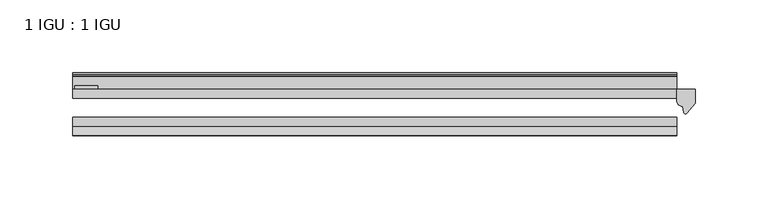
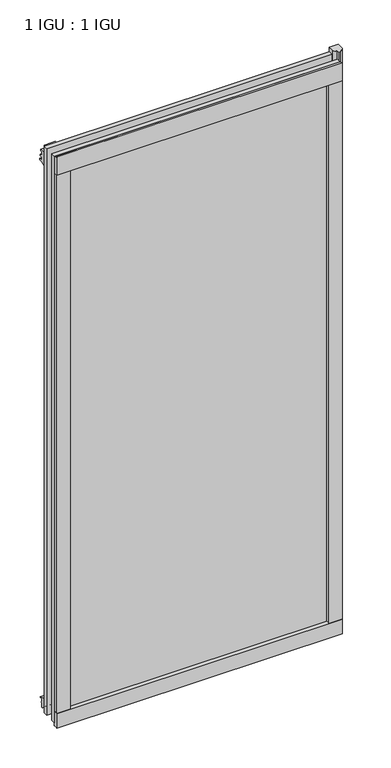
"""IFC4 building model written with IfcOpenShell, lengths in millimetres: plate geometry, 1 IGU : 1 IGU."""

from ifc_helpers import new_model, si_unit, point, frame, frame_2d, origin, place, context, project, spatial, polyline, circle_curve, trimmed, segment, composite_curve, outline, extrude, source, transform, mapped, element, save


def plate_1_igu_1_igu_6dd3f5e8(model_context):
    return source(origin(), model_context, "Body", "SweptSolid", [
        extrude(outline(polyline([(206.8571651, 0.0021347), (206.8571651, -6.2992), (-206.8571651, -6.2992), (-206.8571651, 0.0021347), (206.8571651, 0.0021347)])), frame((0.0, 0.0, -17.4498), z_axis=(0.0, 0.0, 1.0), x_axis=(1.0, 0.0, 0.0)), (0.0, 0.0, 1.0), 868.3366072),
        extrude(outline(polyline([(-206.8571651, -19.0986653), (206.8571651, -19.0986653), (206.8571651, -25.3978653), (-206.8571651, -25.3978653), (-206.8571651, -19.0986653)])), frame((0.0, 0.0, -17.4498), z_axis=(0.0, 0.0, 1.0), x_axis=(1.0, 0.0, 0.0)), (0.0, 0.0, 1.0), 868.3366072),
        extrude(outline(composite_curve([segment(polyline([(219.5571651, 0.0), (219.5571651, -9.7395025), (213.9909343, -16.3730781)]), True, "CONTINUOUS"), segment(trimmed(circle_curve(frame_2d((213.0372593, -15.7728374)), 1.1268473), [point((213.9909343, -16.3730781))], [point((211.9363064, -16.0130197))], False, "CARTESIAN"), True, "CONTINUOUS"), segment(polyline([(211.9363064, -16.0130197), (210.9561149, -11.7377885)]), True, "CONTINUOUS"), segment(trimmed(circle_curve(frame_2d((210.8286631, -7.7683362)), 3.9714979), [point((210.9561149, -11.7377885))], [point((206.8573437, -7.8060014))], False, "CARTESIAN"), True, "CONTINUOUS"), segment(polyline([(206.8573437, -7.8060014), (206.8573437, 0.0), (219.5571651, 0.0)]), True, "CONTINUOUS")], self_intersect=False)), frame((0.0, 0.0, -17.4498), z_axis=(0.0, 0.0, 1.0), x_axis=(1.0, 0.0, 0.0)), (0.0, 0.0, 1.0), 875.4740072),
        extrude(outline(composite_curve([segment(polyline([(-31.75, 0.0), (-25.4, 0.0), (-25.4, -22.225)]), True, "CONTINUOUS"), segment(trimmed(circle_curve(frame_2d((-28.575, -28.9113452)), 7.4018806), [point((-25.4, -22.225))], [point((-31.75, -22.225))], True, "CARTESIAN"), True, "CONTINUOUS"), segment(polyline([(-31.75, -22.225), (-31.75, 0.0)]), True, "CONTINUOUS")], self_intersect=False)), frame((-206.8571651, 0.0, 0.0), z_axis=(1.0, 0.0, 0.0), x_axis=(0.0, 1.0, 0.0)), (0.0, 0.0, 1.0), 413.7143303),
        extrude(outline(composite_curve([segment(trimmed(circle_curve(frame_2d((13.6593785, 32.4202472)), 31.3046461), [point((0.0, 4.2528503))], [point((9.3980339, 1.406995))], True, "CARTESIAN"), True, "CONTINUOUS"), segment(polyline([(9.3980339, 1.406995), (9.3980339, 0.0254), (6.35, 0.0254), (6.35, -5.1625788), (7.7309478, -5.3970663), (6.35, -8.0073788), (6.35, -11.8471127)]), True, "CONTINUOUS"), segment(trimmed(circle_curve(frame_2d((5.334, -11.8471127)), 1.016), [point((6.35, -11.8471127))], [point((4.6284878, -12.5782136))], False, "CARTESIAN"), True, "CONTINUOUS"), segment(trimmed(circle_curve(frame_2d((-23.3689302, -41.5910901)), 40.3187601), [point((4.6284878, -12.5782136))], [point((0.0, -8.735413))], True, "CARTESIAN"), True, "CONTINUOUS"), segment(polyline([(0.0, -8.735413), (0.0, 4.2528503)]), True, "CONTINUOUS")], self_intersect=False)), frame((-206.8571651, 0.0, 0.0), z_axis=(1.0, 0.0, 0.0), x_axis=(0.0, 1.0, 0.0)), (0.0, 0.0, 1.0), 413.7143303),
        extrude(outline(composite_curve([segment(polyline([(8.509, 840.7300284), (8.509, 838.6980284), (6.35, 838.6980284), (6.35, 833.3640284), (8.9492698, 833.3640284)]), True, "CONTINUOUS"), segment(trimmed(circle_curve(frame_2d((8.208689, 831.8368072)), 1.697311), [point((8.9492698, 833.3640284))], [point((8.962411, 830.3160284))], False, "CARTESIAN"), True, "CONTINUOUS"), segment(polyline([(8.962411, 830.3160284), (6.35, 830.3160284), (6.35, 825.4868072), (11.1252, 825.4868072), (11.1252, 824.5978072)]), True, "CONTINUOUS"), segment(trimmed(circle_curve(frame_2d((10.1092, 824.5978072)), 1.016), [point((11.1252, 824.5978072))], [point((10.1092, 823.5818072))], False, "CARTESIAN"), True, "CONTINUOUS"), segment(trimmed(circle_curve(frame_2d((10.1092, 804.1707318)), 19.4110754), [point((10.1092, 823.5818072))], [point((0.0, 820.7416075))], True, "CARTESIAN"), True, "CONTINUOUS"), segment(polyline([(0.0, 820.7416075), (0.0, 840.7300284), (8.509, 840.7300284)]), True, "CONTINUOUS")], self_intersect=False)), frame((-206.8571651, 0.0, 0.0), z_axis=(1.0, 0.0, 0.0), x_axis=(0.0, 1.0, 0.0)), (0.0, 0.0, 1.0), 413.7143303),
        extrude(outline(composite_curve([segment(polyline([(-25.4, 850.8868072), (-25.4, 825.4868072), (-31.75, 825.4868072), (-31.75, 853.6597045)]), True, "CONTINUOUS"), segment(trimmed(circle_curve(frame_2d((-24.1401272, 862.4292187)), 11.6109665), [point((-31.75, 853.6597045))], [point((-25.4, 850.8868072))], True, "CARTESIAN"), True, "CONTINUOUS")], self_intersect=False)), frame((-206.8571651, 0.0, 0.0), z_axis=(1.0, 0.0, 0.0), x_axis=(0.0, 1.0, 0.0)), (0.0, 0.0, 1.0), 413.7143303),
        extrude(outline(composite_curve([segment(polyline([(187.8071651, -25.4), (206.8571651, -25.4)]), True, "CONTINUOUS"), segment(trimmed(circle_curve(frame_2d((216.3233158, -28.575)), 9.9844196), [point((206.8571651, -25.4))], [point((206.8571651, -31.75))], True, "CARTESIAN"), True, "CONTINUOUS"), segment(polyline([(206.8571651, -31.75), (187.8071651, -31.75), (187.8071651, -25.4)]), True, "CONTINUOUS")], self_intersect=False)), frame((0.0, 0.0, -17.4498), z_axis=(0.0, 0.0, 1.0), x_axis=(1.0, 0.0, 0.0)), (0.0, 0.0, 1.0), 868.3366072),
        extrude(outline(composite_curve([segment(trimmed(circle_curve(frame_2d((-216.3233158, -28.575)), 9.9844196), [point((-206.8571651, -31.75))], [point((-206.8571651, -25.4))], True, "CARTESIAN"), True, "CONTINUOUS"), segment(polyline([(-206.8571651, -25.4), (-187.8071651, -25.4), (-187.8071651, -31.75), (-206.8571651, -31.75)]), True, "CONTINUOUS")], self_intersect=False)), frame((0.0, 0.0, -17.4498), z_axis=(0.0, 0.0, 1.0), x_axis=(1.0, 0.0, 0.0)), (0.0, 0.0, 1.0), 868.3366072),
        extrude(outline(polyline([(-205.6506651, 0.0), (-205.6506651, 2.286), (-189.7756651, 2.286), (-189.7756651, 0.0), (-205.6506651, 0.0)])), frame((0.0, 0.0, -17.4498), z_axis=(0.0, 0.0, 1.0), x_axis=(1.0, 0.0, 0.0)), (0.0, 0.0, 1.0), 868.3366072),
    ])


if __name__ == "__main__":
    model = new_model("IFC4")
    model_context = context("Model", 3, world=origin())
    ifc_project = project(units=[si_unit("LENGTHUNIT", "METRE", prefix="MILLI")], contexts=[model_context])
    site = spatial("IfcSite", under=ifc_project)
    building = spatial("IfcBuilding", under=site)
    placement = place(None, origin())
    plate_1_igu_1_igu_shape = plate_1_igu_1_igu_6dd3f5e8(model_context)
    element("IfcPlate", 1, ObjectType="1 IGU : 1 IGU", at=placement, inside=building, context=model_context, shape_type="MappedRepresentation", body=[
        mapped(plate_1_igu_1_igu_shape, transform((0.0, 0.0, 0.0), x_axis=(1.0, 0.0, 0.0), y_axis=(0.0, 1.0, 0.0), z_axis=(0.0, 0.0, 1.0))),
    ])
    save(model, "model.ifc")
